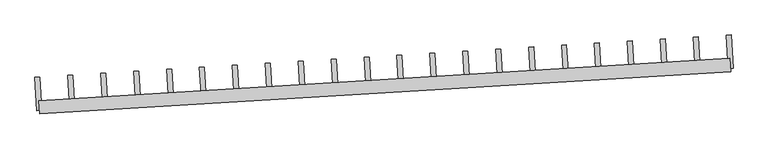
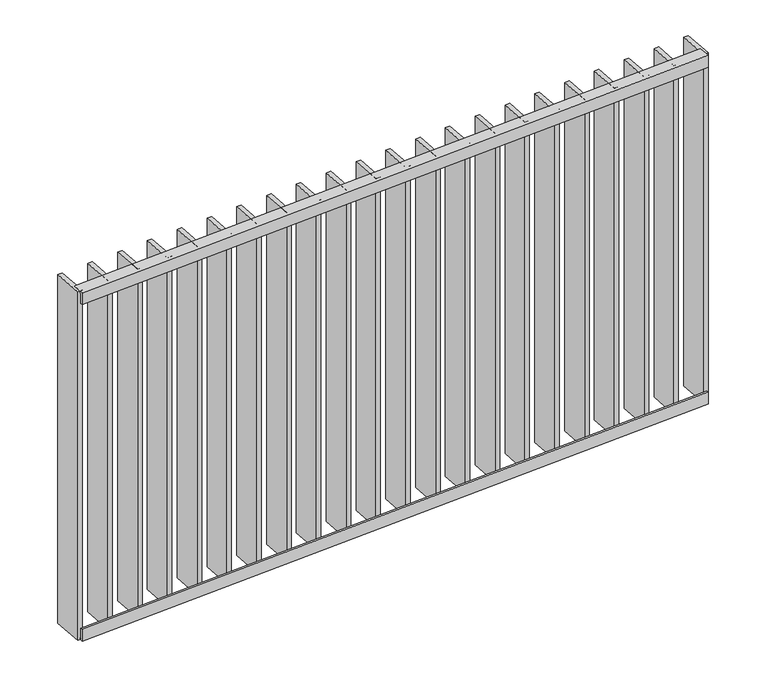
"""IFC4 building model written with IfcOpenShell, lengths in millimetres: railing geometry."""

from ifc_helpers import new_model, si_unit, frame, origin, place, context, project, spatial, polyline, outline, extrude, source, transform, mapped, element, save


def railing_064202fe(model_context):
    return source(origin(), model_context, "Body", "SweptSolid", [
        extrude(outline(polyline([(14.0, 6.0), (14.0, 40.0), (20.0, 40.0), (20.0, 0.0), (-19.9999999, 0.0), (-19.9999999, 6.0), (14.0, 6.0)])), frame((65172.798025, 33043.1718904, 8000.0), z_axis=(0.9981347984218857, 0.06104853953455172, 0.0), x_axis=(0.06104853953455172, -0.9981347984218857, 0.0)), (0.0, 0.0, 1.0), 2080.0),
        extrude(outline(polyline([(14.0, -6.0), (-19.9999999, -6.0), (-19.9999999, 0.0), (20.0, 0.0), (20.0, -40.0), (14.0, -40.0), (14.0, -6.0)])), frame((65172.798025, 33043.1718904, 6820.0), z_axis=(0.9981347984218857, 0.06104853953455172, 0.0), x_axis=(0.06104853953455172, -0.9981347984218857, 0.0)), (0.0, 0.0, 1.0), 2080.0),
        extrude(outline(polyline([(65279.7573966, 33039.6951189), (65264.7853747, 33038.7793908), (65258.6805207, 33138.5928707), (65273.6525427, 33139.5085988), (65279.7573966, 33039.6951189)])), frame((0.0, 0.0, 6819.9), z_axis=(0.0, 0.0, 1.0), x_axis=(1.0, 0.0, 0.0)), (0.0, 0.0, 1.0), 1180.2),
        extrude(outline(polyline([(65378.6202719, 33045.7418314), (65363.6482499, 33044.8261033), (65357.543396, 33144.6395831), (65372.5154179, 33145.5553112), (65378.6202719, 33045.7418314)])), frame((0.0, 0.0, 6819.9), z_axis=(0.0, 0.0, 1.0), x_axis=(1.0, 0.0, 0.0)), (0.0, 0.0, 1.0), 1180.2),
        extrude(outline(polyline([(65477.4831472, 33051.7885439), (65462.5111252, 33050.8728158), (65456.4062712, 33150.6862956), (65471.3782932, 33151.6020237), (65477.4831472, 33051.7885439)])), frame((0.0, 0.0, 6819.9), z_axis=(0.0, 0.0, 1.0), x_axis=(1.0, 0.0, 0.0)), (0.0, 0.0, 1.0), 1180.2),
        extrude(outline(polyline([(65576.3460224, 33057.8352564), (65561.3740005, 33056.9195283), (65555.2691465, 33156.7330081), (65570.2411685, 33157.6487362), (65576.3460224, 33057.8352564)])), frame((0.0, 0.0, 6819.9), z_axis=(0.0, 0.0, 1.0), x_axis=(1.0, 0.0, 0.0)), (0.0, 0.0, 1.0), 1180.2),
        extrude(outline(polyline([(65675.2088977, 33063.8819689), (65660.2368757, 33062.9662408), (65654.1320218, 33162.7797206), (65669.1040438, 33163.6954487), (65675.2088977, 33063.8819689)])), frame((0.0, 0.0, 6819.9), z_axis=(0.0, 0.0, 1.0), x_axis=(1.0, 0.0, 0.0)), (0.0, 0.0, 1.0), 1180.2),
        extrude(outline(polyline([(65774.071773, 33069.9286813), (65759.099751, 33069.0129533), (65752.9948971, 33168.8264331), (65767.966919, 33169.7421612), (65774.071773, 33069.9286813)])), frame((0.0, 0.0, 6819.9), z_axis=(0.0, 0.0, 1.0), x_axis=(1.0, 0.0, 0.0)), (0.0, 0.0, 1.0), 1180.2),
        extrude(outline(polyline([(65872.9346483, 33075.9753938), (65857.9626263, 33075.0596657), (65851.8577723, 33174.8731456), (65866.8297943, 33175.7888737), (65872.9346483, 33075.9753938)])), frame((0.0, 0.0, 6819.9), z_axis=(0.0, 0.0, 1.0), x_axis=(1.0, 0.0, 0.0)), (0.0, 0.0, 1.0), 1180.2),
        extrude(outline(polyline([(65971.7975235, 33082.0221063), (65956.8255016, 33081.1063782), (65950.7206476, 33180.9198581), (65965.6926696, 33181.8355862), (65971.7975235, 33082.0221063)])), frame((0.0, 0.0, 6819.9), z_axis=(0.0, 0.0, 1.0), x_axis=(1.0, 0.0, 0.0)), (0.0, 0.0, 1.0), 1180.2),
        extrude(outline(polyline([(66070.6603988, 33088.0688188), (66055.6883768, 33087.1530907), (66049.5835229, 33186.9665706), (66064.5555449, 33187.8822986), (66070.6603988, 33088.0688188)])), frame((0.0, 0.0, 6819.9), z_axis=(0.0, 0.0, 1.0), x_axis=(1.0, 0.0, 0.0)), (0.0, 0.0, 1.0), 1180.2),
        extrude(outline(polyline([(66169.5232741, 33094.1155313), (66154.5512521, 33093.1998032), (66148.4463982, 33193.013283), (66163.4184201, 33193.9290111), (66169.5232741, 33094.1155313)])), frame((0.0, 0.0, 6819.9), z_axis=(0.0, 0.0, 1.0), x_axis=(1.0, 0.0, 0.0)), (0.0, 0.0, 1.0), 1180.2),
        extrude(outline(polyline([(66268.3861494, 33100.1622438), (66253.4141274, 33099.2465157), (66247.3092734, 33199.0599955), (66262.2812954, 33199.9757236), (66268.3861494, 33100.1622438)])), frame((0.0, 0.0, 6819.9), z_axis=(0.0, 0.0, 1.0), x_axis=(1.0, 0.0, 0.0)), (0.0, 0.0, 1.0), 1180.2),
        extrude(outline(polyline([(66367.2490246, 33106.2089563), (66352.2770026, 33105.2932282), (66346.1721487, 33205.106708), (66361.1441707, 33206.0224361), (66367.2490246, 33106.2089563)])), frame((0.0, 0.0, 6819.9), z_axis=(0.0, 0.0, 1.0), x_axis=(1.0, 0.0, 0.0)), (0.0, 0.0, 1.0), 1180.2),
        extrude(outline(polyline([(66466.1118999, 33112.2556688), (66451.1398779, 33111.3399407), (66445.035024, 33211.1534205), (66460.0070459, 33212.0691486), (66466.1118999, 33112.2556688)])), frame((0.0, 0.0, 6819.9), z_axis=(0.0, 0.0, 1.0), x_axis=(1.0, 0.0, 0.0)), (0.0, 0.0, 1.0), 1180.2),
        extrude(outline(polyline([(66564.9747752, 33118.3023812), (66550.0027532, 33117.3866531), (66543.8978992, 33217.200133), (66558.8699212, 33218.1158611), (66564.9747752, 33118.3023812)])), frame((0.0, 0.0, 6819.9), z_axis=(0.0, 0.0, 1.0), x_axis=(1.0, 0.0, 0.0)), (0.0, 0.0, 1.0), 1180.2),
        extrude(outline(polyline([(66663.8376504, 33124.3490937), (66648.8656285, 33123.4333656), (66642.7607745, 33223.2468455), (66657.7327965, 33224.1625736), (66663.8376504, 33124.3490937)])), frame((0.0, 0.0, 6819.9), z_axis=(0.0, 0.0, 1.0), x_axis=(1.0, 0.0, 0.0)), (0.0, 0.0, 1.0), 1180.2),
        extrude(outline(polyline([(66762.7005257, 33130.3958062), (66747.7285037, 33129.4800781), (66741.6236498, 33229.293558), (66756.5956718, 33230.2092861), (66762.7005257, 33130.3958062)])), frame((0.0, 0.0, 6819.9), z_axis=(0.0, 0.0, 1.0), x_axis=(1.0, 0.0, 0.0)), (0.0, 0.0, 1.0), 1180.2),
        extrude(outline(polyline([(66861.563401, 33136.4425187), (66846.591379, 33135.5267906), (66840.4865251, 33235.3402705), (66855.458547, 33236.2559985), (66861.563401, 33136.4425187)])), frame((0.0, 0.0, 6819.9), z_axis=(0.0, 0.0, 1.0), x_axis=(1.0, 0.0, 0.0)), (0.0, 0.0, 1.0), 1180.2),
        extrude(outline(polyline([(66960.4262763, 33142.4892312), (66945.4542543, 33141.5735031), (66939.3494003, 33241.3869829), (66954.3214223, 33242.302711), (66960.4262763, 33142.4892312)])), frame((0.0, 0.0, 6819.9), z_axis=(0.0, 0.0, 1.0), x_axis=(1.0, 0.0, 0.0)), (0.0, 0.0, 1.0), 1180.2),
        extrude(outline(polyline([(67059.2891515, 33148.5359437), (67044.3171296, 33147.6202156), (67038.2122756, 33247.4336954), (67053.1842976, 33248.3494235), (67059.2891515, 33148.5359437)])), frame((0.0, 0.0, 6819.9), z_axis=(0.0, 0.0, 1.0), x_axis=(1.0, 0.0, 0.0)), (0.0, 0.0, 1.0), 1180.2),
        extrude(outline(polyline([(67158.1520268, 33154.5826562), (67143.1800048, 33153.6669281), (67137.0751509, 33253.4804079), (67152.0471728, 33254.396136), (67158.1520268, 33154.5826562)])), frame((0.0, 0.0, 6819.9), z_axis=(0.0, 0.0, 1.0), x_axis=(1.0, 0.0, 0.0)), (0.0, 0.0, 1.0), 1180.2),
        extrude(outline(polyline([(65180.8945214, 33033.6484064), (65165.9224994, 33032.7326783), (65159.8176454, 33132.5461582), (65174.7896674, 33133.4618863), (65180.8945214, 33033.6484064)])), frame((0.0, 0.0, 6819.9), z_axis=(0.0, 0.0, 1.0), x_axis=(1.0, 0.0, 0.0)), (0.0, 0.0, 1.0), 1180.2),
        extrude(outline(polyline([(67257.0149021, 33160.6293687), (67242.0428801, 33159.7136406), (67235.9380261, 33259.5271204), (67250.9100481, 33260.4428485), (67257.0149021, 33160.6293687)])), frame((0.0, 0.0, 6819.9), z_axis=(0.0, 0.0, 1.0), x_axis=(1.0, 0.0, 0.0)), (0.0, 0.0, 1.0), 1180.2),
    ])


if __name__ == "__main__":
    model = new_model("IFC4")
    model_context = context("Model", 3, world=origin())
    ifc_project = project(units=[si_unit("LENGTHUNIT", "METRE", prefix="MILLI")], contexts=[model_context])
    site = spatial("IfcSite", under=ifc_project)
    building = spatial("IfcBuilding", under=site)
    placement = place(None, origin())
    railing_shape = railing_064202fe(model_context)
    element("IfcRailing", 1, at=placement, inside=building, context=model_context, shape_type="MappedRepresentation", body=[
        mapped(railing_shape, transform((0.0, 0.0, 0.0), x_axis=(1.0, 0.0, 0.0), y_axis=(0.0, 1.0, 0.0), z_axis=(0.0, 0.0, 1.0))),
    ])
    save(model, "model.ifc")
